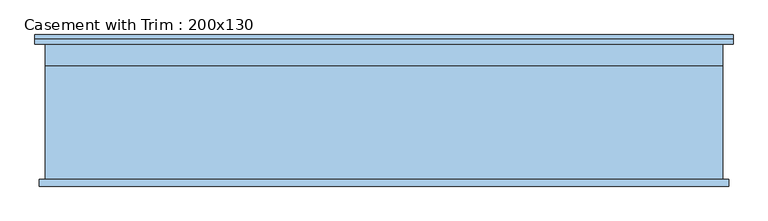
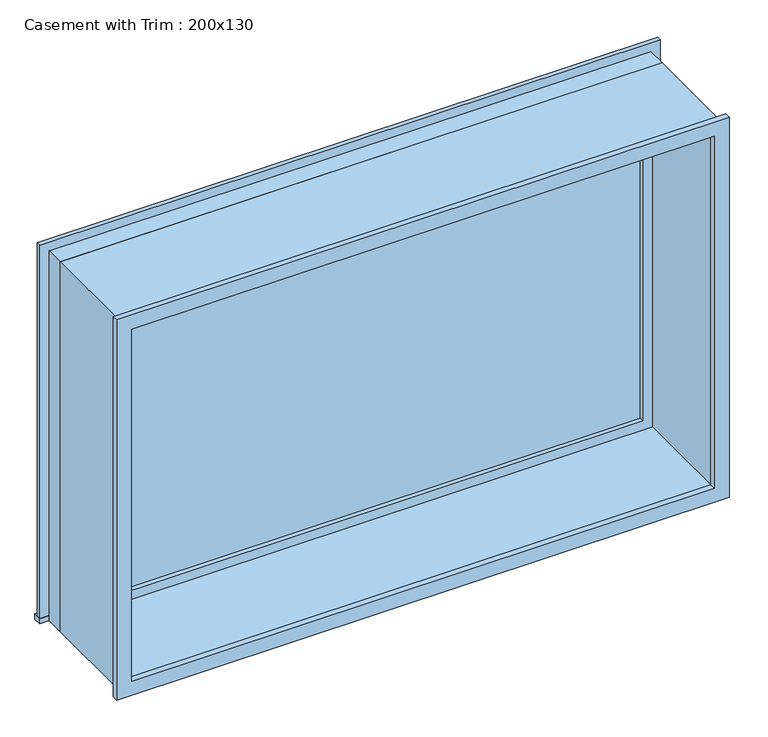
"""IFC4 building model written with IfcOpenShell, lengths in millimetres: window geometry, Casement with Trim : 200x130."""

import ifcopenshell
import ifcopenshell.guid

model = None  # the IFC model being written
_history = None  # IfcOwnerHistory: only IFC2X3 demands one
_inside = {}  # id of a spatial element -> (the spatial element, [elements in it])
_under = {}  # id of a project, library or spatial element -> (it, [spatial elements below it])
_declared = {}  # id of a project -> (the project, [libraries it declares])
_typed = {}  # id of a type object -> (the type object, [elements of that type])
_made_of = {}  # id of a material, layer set ... -> (it, [elements and type objects made of it])


def new_model(schema):
    """Start an empty IFC model of exactly this schema.

    Asked for "IFC4X3", IfcOpenShell would pick the latest addendum, in which some entities
    have other attributes; the version numbers below select the first issue.
    IFC2X3 requires an IfcOwnerHistory on every rooted entity: one is made here for all.
    """
    global model, _history
    if schema == "IFC4X3":
        model = ifcopenshell.file(schema_version=(4, 3, 0, 0))
    else:
        model = ifcopenshell.file(schema=schema)
    _inside.clear()
    _under.clear()
    _declared.clear()
    _typed.clear()
    _made_of.clear()
    _history = None
    if model.schema == "IFC2X3":
        org = make("IfcOrganization", Name="unknown")
        user = make(
            "IfcPersonAndOrganization",
            ThePerson=make("IfcPerson", FamilyName="unknown"),
            TheOrganization=org,
        )
        app = make(
            "IfcApplication",
            ApplicationDeveloper=org,
            Version="unknown",
            ApplicationFullName="unknown",
            ApplicationIdentifier="unknown",
        )
        _history = make(
            "IfcOwnerHistory",
            OwningUser=user,
            OwningApplication=app,
            ChangeAction="ADDED",
            CreationDate=0,
        )
    return model


def make(cls, **values):
    """One entity of the class cls with the attributes given. An attribute that is None is left unset."""
    return model.create_entity(
        cls, **{name: value for name, value in values.items() if value is not None}
    )


def rooted(cls, **values):
    """An entity with a GlobalId (a new one), such as an element, a storey or a relation."""
    return make(cls, GlobalId=ifcopenshell.guid.new(), OwnerHistory=_history, **values)


def si_unit(unit_type, name, prefix=None):
    """IfcSIUnit, for example si_unit("LENGTHUNIT", "METRE", prefix="MILLI")."""
    return make("IfcSIUnit", UnitType=unit_type, Prefix=prefix, Name=name)


def assignment(units):
    """IfcUnitAssignment: the units of a project."""
    return None if units is None else make("IfcUnitAssignment", Units=units)


def point(xyz):
    """IfcCartesianPoint."""
    return None if xyz is None else make("IfcCartesianPoint", Coordinates=xyz)


def direction(xyz):
    """IfcDirection."""
    return None if xyz is None else make("IfcDirection", DirectionRatios=xyz)


def frame(location, z_axis=None, x_axis=None):
    """IfcAxis2Placement3D, a coordinate frame: its origin and axes. An axis left out is left unset."""
    return make(
        "IfcAxis2Placement3D",
        Location=point(location),
        Axis=direction(z_axis),
        RefDirection=direction(x_axis),
    )


def origin():
    """The frame at (0, 0, 0) with its axes left unset."""
    return frame((0.0, 0.0, 0.0))


def place(relative_to, where):
    """IfcLocalPlacement: puts the frame where relative to a parent placement (None: the world)."""
    return make(
        "IfcLocalPlacement", PlacementRelTo=relative_to, RelativePlacement=where
    )


def context(
    kind, dimensions, precision=None, world=None, true_north=None, identifier=None
):
    """IfcGeometricRepresentationContext, for example the 3D "Model" context."""
    return make(
        "IfcGeometricRepresentationContext",
        ContextIdentifier=identifier,
        ContextType=kind,
        CoordinateSpaceDimension=dimensions,
        Precision=precision,
        WorldCoordinateSystem=world,
        TrueNorth=true_north,
    )


def project(units=None, contexts=None):
    """IfcProject with its units and contexts."""
    return rooted(
        "IfcProject",
        Name="project",
        RepresentationContexts=contexts,
        UnitsInContext=assignment(units),
    )


def spatial(cls, under=None, at=None, **own):
    """A site, building, storey or space (cls), placed at a placement, below another one or the project."""
    s = rooted(cls, ObjectPlacement=at, **own)
    if under is not None:
        _under.setdefault(under.id(), (under, []))[1].append(s)
    return s


def polyline(points):
    """IfcPolyline through the points."""
    return make("IfcPolyline", Points=[point(p) for p in points])


def outline(outer, holes=None, kind="AREA"):
    """IfcArbitraryClosedProfileDef: a profile drawn as a closed curve; with holes, ...WithVoids."""
    if holes is None:
        return make("IfcArbitraryClosedProfileDef", ProfileType=kind, OuterCurve=outer)
    return make(
        "IfcArbitraryProfileDefWithVoids",
        ProfileType=kind,
        OuterCurve=outer,
        InnerCurves=holes,
    )


def extrude(swept, where, along, depth):
    """IfcExtrudedAreaSolid: the profile swept, set in the frame where, extruded along a direction by depth."""
    return make(
        "IfcExtrudedAreaSolid",
        SweptArea=swept,
        Position=where,
        ExtrudedDirection=direction(along),
        Depth=depth,
    )


def shape(context_of_items, identifier, shape_type, items):
    """IfcShapeRepresentation: the items that make up one representation, for example the "Body"."""
    return make(
        "IfcShapeRepresentation",
        ContextOfItems=context_of_items,
        RepresentationIdentifier=identifier,
        RepresentationType=shape_type,
        Items=items,
    )


def source(mapping_origin, context_of_items, identifier, shape_type, items):
    """IfcRepresentationMap: a shape defined once, which mapped items show again and again."""
    return make(
        "IfcRepresentationMap",
        MappingOrigin=mapping_origin,
        MappedRepresentation=shape(context_of_items, identifier, shape_type, items),
    )


def transform(
    local_origin,
    x_axis=None,
    y_axis=None,
    z_axis=None,
    scale=None,
    scale2=None,
    scale3=None,
    uniform=True,
):
    """IfcCartesianTransformationOperator3D, or its non-uniform kind. x_axis, y_axis, z_axis: its Axis1, 2, 3."""
    if uniform:
        return make(
            "IfcCartesianTransformationOperator3D",
            Axis1=direction(x_axis),
            Axis2=direction(y_axis),
            LocalOrigin=point(local_origin),
            Scale=scale,
            Axis3=direction(z_axis),
        )
    return make(
        "IfcCartesianTransformationOperator3DnonUniform",
        Axis1=direction(x_axis),
        Axis2=direction(y_axis),
        LocalOrigin=point(local_origin),
        Scale=scale,
        Axis3=direction(z_axis),
        Scale2=scale2,
        Scale3=scale3,
    )


def mapped(mapping_source, mapping_target):
    """IfcMappedItem: shows the shape of a source again, moved by a transform."""
    return make(
        "IfcMappedItem", MappingSource=mapping_source, MappingTarget=mapping_target
    )


def made_of(thing, what):
    """Note that an element or type object is made of a material, layer set ...; save() writes the relation."""
    if what is not None:
        _made_of.setdefault(what.id(), (what, []))[1].append(thing)
    return thing


def element(
    cls,
    number,
    at=None,
    inside=None,
    cuts=None,
    type_object=None,
    material=None,
    context=None,
    identifier="Body",
    shape_type=None,
    held_by="IfcProductDefinitionShape",
    body=None,
    shapes=None,
    **own,
):
    """One element of the class cls, such as IfcWall. Its Tag is "e" and its number.

    at: its placement. inside: the storey or other place that contains it. cuts: it is an
    opening in that element (IfcRelVoidsElement). A single representation is given by context,
    identifier, shape_type and body (its items); several are given by shapes. held_by: the class
    of the entity that holds the representations. save() writes the other relations.
    """
    e = rooted(cls, Tag="e%d" % number, ObjectPlacement=at, **own)
    if body is not None:
        shapes = [shape(context, identifier, shape_type, body)]
    if shapes is not None:
        e.Representation = make(held_by, Representations=shapes)
    if inside is not None:
        _inside.setdefault(inside.id(), (inside, []))[1].append(e)
    if cuts is not None:
        rooted(
            "IfcRelVoidsElement", RelatingBuildingElement=cuts, RelatedOpeningElement=e
        )
    if type_object is not None:
        _typed.setdefault(type_object.id(), (type_object, []))[1].append(e)
    return made_of(e, material)


def aggregate(whole, parts):
    """IfcRelAggregates: a whole, such as a stair, and the parts it consists of."""
    return rooted("IfcRelAggregates", RelatingObject=whole, RelatedObjects=parts)


def save(model, path):
    """Write the relations noted so far, then the file.

    IfcRelAggregates (storeys below a building ...), IfcRelContainedInSpatialStructure (elements
    in a storey), IfcRelDefinesByType, IfcRelAssociatesMaterial and IfcRelDeclares: one each for
    every whole, place, type object, material and project.
    """
    for whole, parts in _under.values():
        aggregate(whole, parts)
    for where, things in _inside.values():
        rooted(
            "IfcRelContainedInSpatialStructure",
            RelatedElements=things,
            RelatingStructure=where,
        )
    for kind, things in _typed.values():
        rooted("IfcRelDefinesByType", RelatedObjects=things, RelatingType=kind)
    for what, things in _made_of.values():
        rooted("IfcRelAssociatesMaterial", RelatedObjects=things, RelatingMaterial=what)
    for by, libraries in _declared.values():
        rooted("IfcRelDeclares", RelatingContext=by, RelatedDefinitions=libraries)
    model.write(path)


def casement_with_trim_200x130_2e44cbf3(model_context):
    return source(origin(), model_context, "Body", "SweptSolid", [
        extrude(outline(polyline([(-1030.95, 227.7), (1030.95, 227.7), (1030.95, 200.0), (-1030.95, 200.0), (-1030.95, 227.7)])), frame((0.0, 0.0, 1000.0), z_axis=(0.0, 0.0, 1.0), x_axis=(1.0, 0.0, 0.0)), (0.0, 0.0, 1.0), 19.05),
        extrude(outline(polyline([(2280.95, -980.95), (2280.95, 980.95), (1019.05, 980.95), (1019.05, 1030.95), (2330.95, 1030.95), (2330.95, -1030.95), (1019.05, -1030.95), (1019.05, -980.95), (2280.95, -980.95)])), frame((0.0, 200.0, 0.0), z_axis=(0.0, 1.0, 0.0), x_axis=(0.0, 0.0, 1.0)), (0.0, 0.0, 1.0), 15.0),
        extrude(outline(polyline([(2318.25, 1018.25), (2318.25, -1018.25), (981.75, -1018.25), (981.75, 1018.25), (2318.25, 1018.25)]), holes=[polyline([(2268.25, 968.25), (1031.75, 968.25), (1031.75, -968.25), (2268.25, -968.25), (2268.25, 968.25)])]), frame((0.0, -220.0, 0.0), z_axis=(0.0, 1.0, 0.0), x_axis=(0.0, 0.0, 1.0)), (0.0, 0.0, 1.0), 20.0),
        extrude(outline(polyline([(936.5, 151.425), (-936.5, 151.425), (-936.5, 164.125), (936.5, 164.125), (936.5, 151.425)])), frame((0.0, 0.0, 1063.5), z_axis=(0.0, 0.0, 1.0), x_axis=(1.0, 0.0, 0.0)), (0.0, 0.0, 1.0), 1173.0),
        extrude(outline(polyline([(2280.95, -980.95), (1019.05, -980.95), (1019.05, 980.95), (2280.95, 980.95), (2280.95, -980.95)]), holes=[polyline([(2236.5, -936.5), (2236.5, 936.5), (1063.5, 936.5), (1063.5, -936.5), (2236.5, -936.5)])]), frame((0.0, 135.55, 0.0), z_axis=(0.0, 1.0, 0.0), x_axis=(0.0, 0.0, 1.0)), (0.0, 0.0, 1.0), 44.45),
        extrude(outline(polyline([(2300.0, -1000.0), (1000.0, -1000.0), (1000.0, 1000.0), (2300.0, 1000.0), (2300.0, -1000.0)]), holes=[polyline([(2268.25, -968.25), (2268.25, 968.25), (1031.75, 968.25), (1031.75, -968.25), (2268.25, -968.25)])]), frame((0.0, -200.0, 0.0), z_axis=(0.0, 1.0, 0.0), x_axis=(0.0, 0.0, 1.0)), (0.0, 0.0, 1.0), 335.55),
        extrude(outline(polyline([(2300.0, 1000.0), (2300.0, -1000.0), (1000.0, -1000.0), (1000.0, 1000.0), (2300.0, 1000.0)]), holes=[polyline([(2280.95, 980.95), (1019.05, 980.95), (1019.05, -980.95), (2280.95, -980.95), (2280.95, 980.95)])]), frame((0.0, 135.55, 0.0), z_axis=(0.0, 1.0, 0.0), x_axis=(0.0, 0.0, 1.0)), (0.0, 0.0, 1.0), 64.45),
    ])


if __name__ == "__main__":
    model = new_model("IFC4")
    model_context = context("Model", 3, world=origin())
    ifc_project = project(units=[si_unit("LENGTHUNIT", "METRE", prefix="MILLI")], contexts=[model_context])
    site = spatial("IfcSite", under=ifc_project)
    building = spatial("IfcBuilding", under=site)
    placement = place(None, origin())
    casement_with_trim_200x130_shape = casement_with_trim_200x130_2e44cbf3(model_context)
    element("IfcWindow", 1, ObjectType="Casement with Trim : 200x130", at=placement, inside=building, context=model_context, shape_type="MappedRepresentation", body=[
        mapped(casement_with_trim_200x130_shape, transform((0.0, 0.0, 0.0), x_axis=(1.0, 0.0, 0.0), y_axis=(0.0, 1.0, 0.0), z_axis=(0.0, 0.0, 1.0))),
    ])
    save(model, "model.ifc")
